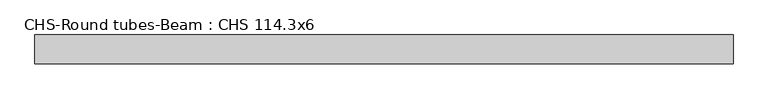
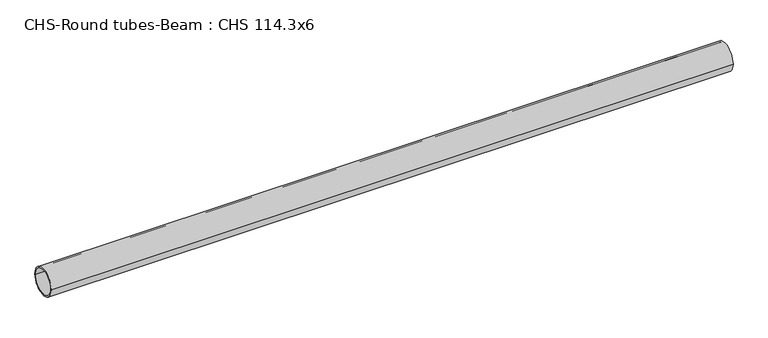
"""IFC4 building model written with IfcOpenShell, lengths in millimetres: beam geometry, CHS-Round tubes-Beam : CHS 114.3x6."""

from ifc_helpers import new_model, si_unit, point, frame, origin, origin_2d, place, context, project, spatial, circle_curve, trimmed, segment, composite_curve, outline, extrude, source, transform, mapped, element, save


def chs_round_tubes_beam_chs_114_3x6_65b95a35(model_context):
    return source(origin(), model_context, "Body", "SweptSolid", [
        extrude(outline(composite_curve([segment(trimmed(circle_curve(origin_2d(), 57.15), [point((57.15, 0.0))], [point((-57.15, 0.0))], False, "CARTESIAN"), True, "CONTINUOUS"), segment(trimmed(circle_curve(origin_2d(), 57.15), [point((-57.15, 0.0))], [point((57.15, 0.0))], False, "CARTESIAN"), True, "CONTINUOUS")], self_intersect=False), holes=[composite_curve([segment(trimmed(circle_curve(origin_2d(), 51.15), [point((51.15, 0.0))], [point((-51.15, 0.0))], True, "CARTESIAN"), True, "CONTINUOUS"), segment(trimmed(circle_curve(origin_2d(), 51.15), [point((-51.15, 0.0))], [point((51.15, 0.0))], True, "CARTESIAN"), True, "CONTINUOUS")], self_intersect=False)]), frame((-1383.738967, 0.0, 0.0), z_axis=(1.0, 0.0, 0.0), x_axis=(0.0, 1.0, 0.0)), (0.0, 0.0, 1.0), 2779.6242),
    ])


if __name__ == "__main__":
    model = new_model("IFC4")
    model_context = context("Model", 3, world=origin())
    ifc_project = project(units=[si_unit("LENGTHUNIT", "METRE", prefix="MILLI")], contexts=[model_context])
    site = spatial("IfcSite", under=ifc_project)
    building = spatial("IfcBuilding", under=site)
    placement = place(None, origin())
    chs_round_tubes_beam_chs_114_3x6_shape = chs_round_tubes_beam_chs_114_3x6_65b95a35(model_context)
    element("IfcBeam", 1, ObjectType="CHS-Round tubes-Beam : CHS 114.3x6", at=placement, inside=building, context=model_context, shape_type="MappedRepresentation", body=[
        mapped(chs_round_tubes_beam_chs_114_3x6_shape, transform((0.0, 0.0, 0.0), x_axis=(1.0, 0.0, 0.0), y_axis=(0.0, 1.0, 0.0), z_axis=(0.0, 0.0, 1.0))),
    ])
    save(model, "model.ifc")
